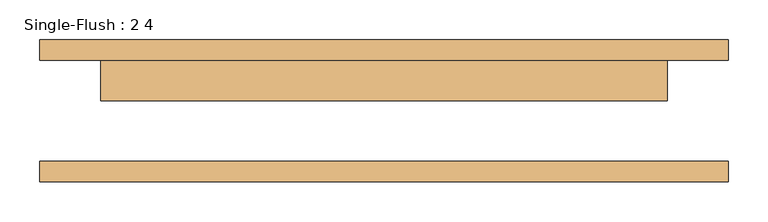
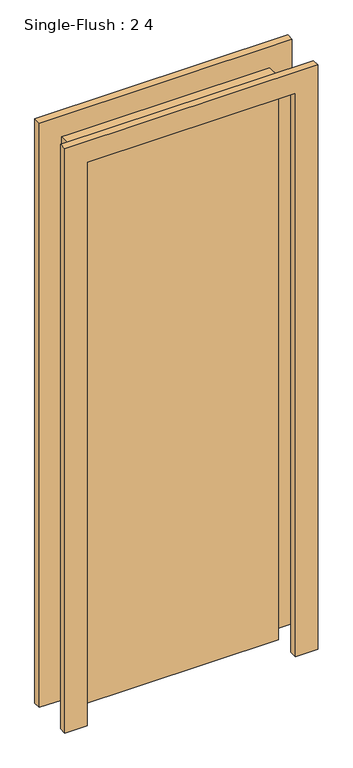
"""IFC4 building model written with IfcOpenShell, lengths in millimetres: door geometry, Single-Flush : 2 4."""

from ifc_helpers import new_model, si_unit, frame, origin, origin_with_axes, place, context, project, spatial, polyline, outline, extrude, source, transform, mapped, element, save


def single_flush_2_4_7f94203e(model_context):
    return source(origin(), model_context, "Body", "SweptSolid", [
        extrude(outline(polyline([(2108.2, -431.8), (0.0, -431.8), (0.0, -355.6), (2032.0, -355.6), (2032.0, 355.6), (0.0, 355.6), (0.0, 431.8), (2108.2, 431.8), (2108.2, -431.8)])), frame((0.0, 63.5, 0.0), z_axis=(0.0, 1.0, 0.0), x_axis=(0.0, 0.0, 1.0)), (0.0, 0.0, 1.0), 25.4),
        extrude(outline(polyline([(2108.2, 431.8), (2108.2, -431.8), (0.0, -431.8), (0.0, -355.6), (2032.0, -355.6), (2032.0, 355.6), (0.0, 355.6), (0.0, 431.8), (2108.2, 431.8)])), frame((0.0, -88.9, 0.0), z_axis=(0.0, 1.0, 0.0), x_axis=(0.0, 0.0, 1.0)), (0.0, 0.0, 1.0), 25.4),
        extrude(outline(polyline([(355.6, 12.7), (-355.6, 12.7), (-355.6, 63.5), (355.6, 63.5), (355.6, 12.7)])), origin_with_axes(), (0.0, 0.0, 1.0), 2032.0),
    ])


if __name__ == "__main__":
    model = new_model("IFC4")
    model_context = context("Model", 3, world=origin())
    ifc_project = project(units=[si_unit("LENGTHUNIT", "METRE", prefix="MILLI")], contexts=[model_context])
    site = spatial("IfcSite", under=ifc_project)
    building = spatial("IfcBuilding", under=site)
    placement = place(None, origin())
    single_flush_2_4_shape = single_flush_2_4_7f94203e(model_context)
    element("IfcDoor", 1, ObjectType="Single-Flush : 2 4", at=placement, inside=building, context=model_context, shape_type="MappedRepresentation", body=[
        mapped(single_flush_2_4_shape, transform((0.0, 0.0, 0.0), x_axis=(1.0, 0.0, 0.0), y_axis=(0.0, 1.0, 0.0), z_axis=(0.0, 0.0, 1.0))),
    ])
    save(model, "model.ifc")
